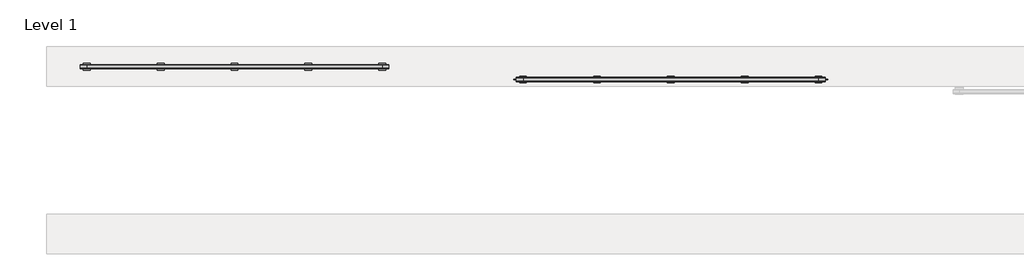
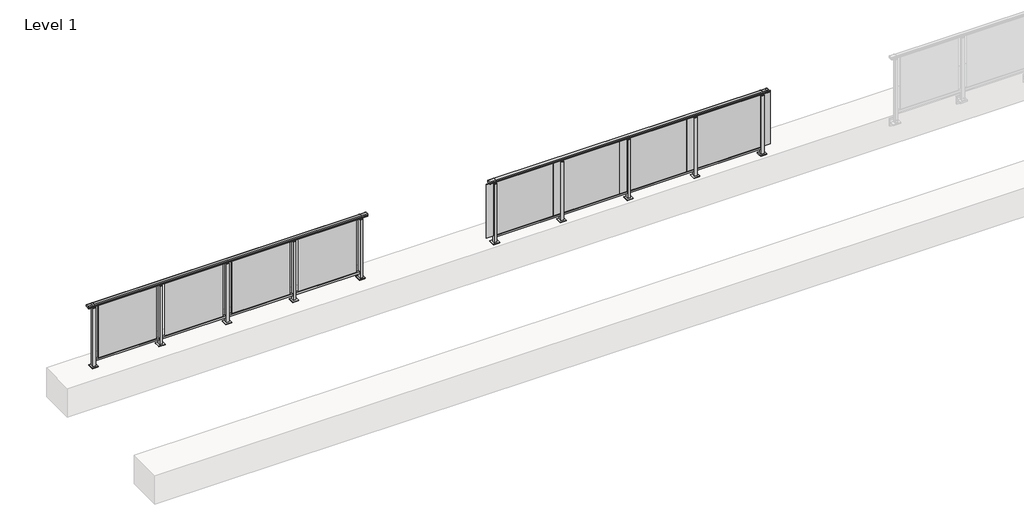
# One storey, part 46 of 64: 2 railings.
"""IFC4 building model written with IfcOpenShell, lengths in millimetres."""

import ifcopenshell
import ifcopenshell.guid

model = None  # the IFC model being written
_history = None  # IfcOwnerHistory: only IFC2X3 demands one
_inside = {}  # id of a spatial element -> (the spatial element, [elements in it])
_under = {}  # id of a project, library or spatial element -> (it, [spatial elements below it])
_declared = {}  # id of a project -> (the project, [libraries it declares])
_typed = {}  # id of a type object -> (the type object, [elements of that type])
_made_of = {}  # id of a material, layer set ... -> (it, [elements and type objects made of it])


def new_model(schema):
    """Start an empty IFC model of exactly this schema.

    Asked for "IFC4X3", IfcOpenShell would pick the latest addendum, in which some entities
    have other attributes; the version numbers below select the first issue.
    IFC2X3 requires an IfcOwnerHistory on every rooted entity: one is made here for all.
    """
    global model, _history
    if schema == "IFC4X3":
        model = ifcopenshell.file(schema_version=(4, 3, 0, 0))
    else:
        model = ifcopenshell.file(schema=schema)
    _inside.clear()
    _under.clear()
    _declared.clear()
    _typed.clear()
    _made_of.clear()
    _history = None
    if model.schema == "IFC2X3":
        org = make("IfcOrganization", Name="unknown")
        user = make(
            "IfcPersonAndOrganization",
            ThePerson=make("IfcPerson", FamilyName="unknown"),
            TheOrganization=org,
        )
        app = make(
            "IfcApplication",
            ApplicationDeveloper=org,
            Version="unknown",
            ApplicationFullName="unknown",
            ApplicationIdentifier="unknown",
        )
        _history = make(
            "IfcOwnerHistory",
            OwningUser=user,
            OwningApplication=app,
            ChangeAction="ADDED",
            CreationDate=0,
        )
    return model


def make(cls, **values):
    """One entity of the class cls with the attributes given. An attribute that is None is left unset."""
    return model.create_entity(
        cls, **{name: value for name, value in values.items() if value is not None}
    )


def rooted(cls, **values):
    """An entity with a GlobalId (a new one), such as an element, a storey or a relation."""
    return make(cls, GlobalId=ifcopenshell.guid.new(), OwnerHistory=_history, **values)


def si_unit(unit_type, name, prefix=None):
    """IfcSIUnit, for example si_unit("LENGTHUNIT", "METRE", prefix="MILLI")."""
    return make("IfcSIUnit", UnitType=unit_type, Prefix=prefix, Name=name)


def assignment(units):
    """IfcUnitAssignment: the units of a project."""
    return None if units is None else make("IfcUnitAssignment", Units=units)


def point(xyz):
    """IfcCartesianPoint."""
    return None if xyz is None else make("IfcCartesianPoint", Coordinates=xyz)


def direction(xyz):
    """IfcDirection."""
    return None if xyz is None else make("IfcDirection", DirectionRatios=xyz)


def frame(location, z_axis=None, x_axis=None):
    """IfcAxis2Placement3D, a coordinate frame: its origin and axes. An axis left out is left unset."""
    return make(
        "IfcAxis2Placement3D",
        Location=point(location),
        Axis=direction(z_axis),
        RefDirection=direction(x_axis),
    )


def origin():
    """The frame at (0, 0, 0) with its axes left unset."""
    return frame((0.0, 0.0, 0.0))


def origin_with_axes():
    """The frame at (0, 0, 0) with the z axis (0, 0, 1) and the x axis (1, 0, 0) written out."""
    return frame((0.0, 0.0, 0.0), z_axis=(0.0, 0.0, 1.0), x_axis=(1.0, 0.0, 0.0))


def place(relative_to, where):
    """IfcLocalPlacement: puts the frame where relative to a parent placement (None: the world)."""
    return make(
        "IfcLocalPlacement", PlacementRelTo=relative_to, RelativePlacement=where
    )


def context(
    kind, dimensions, precision=None, world=None, true_north=None, identifier=None
):
    """IfcGeometricRepresentationContext, for example the 3D "Model" context."""
    return make(
        "IfcGeometricRepresentationContext",
        ContextIdentifier=identifier,
        ContextType=kind,
        CoordinateSpaceDimension=dimensions,
        Precision=precision,
        WorldCoordinateSystem=world,
        TrueNorth=true_north,
    )


def project(units=None, contexts=None):
    """IfcProject with its units and contexts."""
    return rooted(
        "IfcProject",
        Name="project",
        RepresentationContexts=contexts,
        UnitsInContext=assignment(units),
    )


def spatial(cls, under=None, at=None, **own):
    """A site, building, storey or space (cls), placed at a placement, below another one or the project."""
    s = rooted(cls, ObjectPlacement=at, **own)
    if under is not None:
        _under.setdefault(under.id(), (under, []))[1].append(s)
    return s


def polyline(points):
    """IfcPolyline through the points."""
    return make("IfcPolyline", Points=[point(p) for p in points])


def circle_curve(where, radius):
    """IfcCircle in the frame where."""
    return make("IfcCircle", Position=where, Radius=radius)


def outline(outer, holes=None, kind="AREA"):
    """IfcArbitraryClosedProfileDef: a profile drawn as a closed curve; with holes, ...WithVoids."""
    if holes is None:
        return make("IfcArbitraryClosedProfileDef", ProfileType=kind, OuterCurve=outer)
    return make(
        "IfcArbitraryProfileDefWithVoids",
        ProfileType=kind,
        OuterCurve=outer,
        InnerCurves=holes,
    )


def extrude(swept, where, along, depth):
    """IfcExtrudedAreaSolid: the profile swept, set in the frame where, extruded along a direction by depth."""
    return make(
        "IfcExtrudedAreaSolid",
        SweptArea=swept,
        Position=where,
        ExtrudedDirection=direction(along),
        Depth=depth,
    )


def shape(context_of_items, identifier, shape_type, items):
    """IfcShapeRepresentation: the items that make up one representation, for example the "Body"."""
    return make(
        "IfcShapeRepresentation",
        ContextOfItems=context_of_items,
        RepresentationIdentifier=identifier,
        RepresentationType=shape_type,
        Items=items,
    )


def made_of(thing, what):
    """Note that an element or type object is made of a material, layer set ...; save() writes the relation."""
    if what is not None:
        _made_of.setdefault(what.id(), (what, []))[1].append(thing)
    return thing


def element(
    cls,
    number,
    at=None,
    inside=None,
    cuts=None,
    type_object=None,
    material=None,
    context=None,
    identifier="Body",
    shape_type=None,
    held_by="IfcProductDefinitionShape",
    body=None,
    shapes=None,
    **own,
):
    """One element of the class cls, such as IfcWall. Its Tag is "e" and its number.

    at: its placement. inside: the storey or other place that contains it. cuts: it is an
    opening in that element (IfcRelVoidsElement). A single representation is given by context,
    identifier, shape_type and body (its items); several are given by shapes. held_by: the class
    of the entity that holds the representations. save() writes the other relations.
    """
    e = rooted(cls, Tag="e%d" % number, ObjectPlacement=at, **own)
    if body is not None:
        shapes = [shape(context, identifier, shape_type, body)]
    if shapes is not None:
        e.Representation = make(held_by, Representations=shapes)
    if inside is not None:
        _inside.setdefault(inside.id(), (inside, []))[1].append(e)
    if cuts is not None:
        rooted(
            "IfcRelVoidsElement", RelatingBuildingElement=cuts, RelatedOpeningElement=e
        )
    if type_object is not None:
        _typed.setdefault(type_object.id(), (type_object, []))[1].append(e)
    return made_of(e, material)


def aggregate(whole, parts):
    """IfcRelAggregates: a whole, such as a stair, and the parts it consists of."""
    return rooted("IfcRelAggregates", RelatingObject=whole, RelatedObjects=parts)


def save(model, path):
    """Write the relations noted so far, then the file.

    IfcRelAggregates (storeys below a building ...), IfcRelContainedInSpatialStructure (elements
    in a storey), IfcRelDefinesByType, IfcRelAssociatesMaterial and IfcRelDeclares: one each for
    every whole, place, type object, material and project.
    """
    for whole, parts in _under.values():
        aggregate(whole, parts)
    for where, things in _inside.values():
        rooted(
            "IfcRelContainedInSpatialStructure",
            RelatedElements=things,
            RelatingStructure=where,
        )
    for kind, things in _typed.values():
        rooted("IfcRelDefinesByType", RelatedObjects=things, RelatingType=kind)
    for what, things in _made_of.values():
        rooted("IfcRelAssociatesMaterial", RelatedObjects=things, RelatingMaterial=what)
    for by, libraries in _declared.values():
        rooted("IfcRelDeclares", RelatingContext=by, RelatedDefinitions=libraries)
    model.write(path)


def plane_surface(at):
    """IfcPlane: the flat surface through the origin of the frame at, square to its z axis."""
    return make("IfcPlane", Position=at)


def cylinder_surface(at, radius):
    """IfcCylindricalSurface: all points at the distance radius from the z axis of the frame at."""
    return make("IfcCylindricalSurface", Position=at, Radius=radius)


def revolved_surface(curve, axis_point, axis_direction):
    """IfcSurfaceOfRevolution: the curve turned about the line through axis_point along axis_direction."""
    return make(
        "IfcSurfaceOfRevolution",
        SweptCurve=make("IfcArbitraryOpenProfileDef", ProfileType="CURVE", Curve=curve),
        AxisPosition=make("IfcAxis1Placement", Location=point(axis_point), Axis=direction(axis_direction)),
    )


def advanced_brep(points, edges, surfaces, faces):
    """IfcAdvancedBrep: a solid bounded by faces that lie on surfaces and meet in shared edges.

    An edge is (start, end): straight between two places in points (the first is 0);
    or (start, end, curve); or (start, end, curve, False) where it runs against its curve.
    A face is (place in surfaces, loops), or (place, loops, False) where it looks against
    its surface's normal. A loop lists edges by number (the first is 1), with a minus sign
    where the edge is run from its end to its start. The first loop is the outer one.
    """
    corners = [point(p) for p in points]
    vertices = [make("IfcVertexPoint", VertexGeometry=c) for c in corners]
    made = []
    for start, end, *more in edges:
        made.append(
            make(
                "IfcEdgeCurve",
                EdgeStart=vertices[start],
                EdgeEnd=vertices[end],
                EdgeGeometry=more[0] if more else make("IfcPolyline", Points=[corners[start], corners[end]]),
                SameSense=more[1] if len(more) > 1 else True,
            )
        )
    hull = []
    for where, loops, *sense in faces:
        bounds = []
        for j, loop in enumerate(loops):
            ring = [make("IfcOrientedEdge", EdgeElement=made[abs(k) - 1], Orientation=k > 0) for k in loop]
            bounds.append(
                make(
                    "IfcFaceOuterBound" if j == 0 else "IfcFaceBound",
                    Bound=make("IfcEdgeLoop", EdgeList=ring),
                    Orientation=True,
                )
            )
        hull.append(make("IfcAdvancedFace", Bounds=bounds, FaceSurface=surfaces[where], SameSense=sense[0] if sense else True))
    return make("IfcAdvancedBrep", Outer=make("IfcClosedShell", CfsFaces=hull))


model = new_model("IFC4")

# Units and contexts
model_context = context("Model", 3, world=origin())
ifc_project = project(units=[si_unit("LENGTHUNIT", "METRE", prefix="MILLI")], contexts=[model_context])

# Site, building, storey
site = spatial("IfcSite", under=ifc_project)
building = spatial("IfcBuilding", under=site)
storey = spatial("IfcBuildingStorey", under=building, Name="Level 1", Elevation=0.0)

# Railings
placement = place(None, origin())
element("IfcRailing", 1, at=placement, inside=storey, context=model_context, shape_type="SolidModel", body=[
    advanced_brep(
    [(29900.0, 20215.3633756, 1095.6691182), (29900.0, 20220.1846828, 1081.1334092), (29900.0, 20219.2413744, 1069.2539035), (29900.0, 20221.1364177, 1061.4863007), (29900.0, 20219.4894799, 1060.384124), (29900.0, 20219.4894799, 1062.0), (29900.0, 20160.8798858, 1062.0), (29900.0, 20160.8798858, 1060.384124), (29900.0, 20159.232948, 1061.4863007), (29900.0, 20161.1279912, 1069.2539035), (29900.0, 20160.1846828, 1081.1334092), (29900.0, 20165.00599, 1095.6691182), (34500.0, 20215.3633756, 1095.6691182), (34500.0, 20165.00599, 1095.6691182), (34500.0, 20160.1846828, 1081.1334092), (34500.0, 20161.1279912, 1069.2539035), (34500.0, 20159.232948, 1061.4863007), (34500.0, 20160.8798858, 1060.384124), (34500.0, 20160.8798858, 1062.0), (34500.0, 20219.4894799, 1062.0), (34500.0, 20219.4894799, 1060.384124), (34500.0, 20221.1364177, 1061.4863007), (34500.0, 20219.2413744, 1069.2539035), (34500.0, 20220.1846828, 1081.1334092), (30000.0, 20215.3633756, 1095.6691182), (30000.0, 20220.1846828, 1081.1334092), (30000.0, 20219.2413744, 1069.2539035), (30000.0, 20221.1364177, 1061.4863007), (30000.0, 20219.4894799, 1060.384124), (30000.0, 20219.4894799, 1062.0), (30000.0, 20160.8798858, 1062.0), (30000.0, 20160.8798858, 1060.384124), (30000.0, 20159.232948, 1061.4863007), (30000.0, 20161.1279912, 1069.2539035), (30000.0, 20160.1846828, 1081.1334092), (30000.0, 20165.00599, 1095.6691182), (34400.0, 20215.3633756, 1095.6691182), (34400.0, 20220.1846828, 1081.1334092), (34400.0, 20219.2413744, 1069.2539035), (34400.0, 20221.1364177, 1061.4863007), (34400.0, 20219.4894799, 1060.384124), (34400.0, 20219.4894799, 1062.0), (34400.0, 20160.8798858, 1062.0), (34400.0, 20160.8798858, 1060.384124), (34400.0, 20159.232948, 1061.4863007), (34400.0, 20161.1279912, 1069.2539035), (34400.0, 20160.1846828, 1081.1334092), (34400.0, 20165.00599, 1095.6691182)],
    [
        (0, 1, circle_curve(frame((29900.0, 20212.1223845, 1086.526686), z_axis=(-1.0, 0.0, 0.0), x_axis=(0.0, -1.0, 0.0)), 9.6999015)),
        (1, 2, circle_curve(frame((29900.0, 20237.7252545, 1073.7633709), z_axis=(1.0, 0.0, 0.0), x_axis=(0.0, -1.0, 0.0)), 19.0260117)),
        (2, 3),
        (3, 4, circle_curve(frame((29900.0, 20220.2772073, 1060.9886194), z_axis=(-1.0, 0.0, 0.0), x_axis=(0.0, -1.0, 0.0)), 0.9929396)),
        (4, 5),
        (5, 6),
        (6, 7),
        (7, 8, circle_curve(frame((29900.0, 20160.0921584, 1060.9886194), z_axis=(-1.0, 0.0, 0.0), x_axis=(0.0, 1.0, 0.0)), 0.9929396)),
        (8, 9),
        (9, 10, circle_curve(frame((29900.0, 20142.6441111, 1073.7633709), z_axis=(1.0, 0.0, 0.0), x_axis=(0.0, 1.0, 0.0)), 19.0260117)),
        (10, 11, circle_curve(frame((29900.0, 20168.2469812, 1086.526686), z_axis=(-1.0, 0.0, 0.0), x_axis=(0.0, 1.0, 0.0)), 9.6999015)),
        (11, 0, circle_curve(frame((29900.0, 20190.1846828, 1024.6431628), z_axis=(-1.0, 0.0, 0.0), x_axis=(0.0, 1.0, 0.0)), 75.3568372)),
        (12, 13, circle_curve(frame((34500.0, 20190.1846828, 1024.6431628), z_axis=(1.0, 0.0, 0.0), x_axis=(0.0, 1.0, 0.0)), 75.3568372)),
        (13, 14, circle_curve(frame((34500.0, 20168.2469812, 1086.526686), z_axis=(1.0, 0.0, 0.0), x_axis=(0.0, 1.0, 0.0)), 9.6999015)),
        (14, 15, circle_curve(frame((34500.0, 20142.6441111, 1073.7633709), z_axis=(-1.0, 0.0, 0.0), x_axis=(0.0, 1.0, 0.0)), 19.0260117)),
        (15, 16),
        (16, 17, circle_curve(frame((34500.0, 20160.0921584, 1060.9886194), z_axis=(1.0, 0.0, 0.0), x_axis=(0.0, 1.0, 0.0)), 0.9929396)),
        (17, 18),
        (18, 19),
        (19, 20),
        (20, 21, circle_curve(frame((34500.0, 20220.2772073, 1060.9886194), z_axis=(1.0, 0.0, 0.0), x_axis=(0.0, -1.0, 0.0)), 0.9929396)),
        (21, 22),
        (22, 23, circle_curve(frame((34500.0, 20237.7252545, 1073.7633709), z_axis=(-1.0, 0.0, 0.0), x_axis=(0.0, -1.0, 0.0)), 19.0260117)),
        (23, 12, circle_curve(frame((34500.0, 20212.1223845, 1086.526686), z_axis=(1.0, 0.0, 0.0), x_axis=(0.0, -1.0, 0.0)), 9.6999015)),
        (0, 24),
        (24, 25, circle_curve(frame((30000.0, 20212.1223845, 1086.526686), z_axis=(-1.0, 0.0, 0.0), x_axis=(0.0, -1.0, 0.0)), 9.6999015)),
        (25, 1),
        (25, 26, circle_curve(frame((30000.0, 20237.7252545, 1073.7633709), z_axis=(1.0, 0.0, 0.0), x_axis=(0.0, -1.0, 0.0)), 19.0260117)),
        (26, 2),
        (26, 27),
        (27, 3),
        (27, 28, circle_curve(frame((30000.0, 20220.2772073, 1060.9886194), z_axis=(-1.0, 0.0, 0.0), x_axis=(0.0, -1.0, 0.0)), 0.9929396)),
        (28, 4),
        (28, 29),
        (29, 5),
        (29, 30),
        (30, 6),
        (30, 31),
        (31, 7),
        (31, 32, circle_curve(frame((30000.0, 20160.0921584, 1060.9886194), z_axis=(-1.0, 0.0, 0.0), x_axis=(0.0, 1.0, 0.0)), 0.9929396)),
        (32, 8),
        (32, 33),
        (33, 9),
        (33, 34, circle_curve(frame((30000.0, 20142.6441111, 1073.7633709), z_axis=(1.0, 0.0, 0.0), x_axis=(0.0, 1.0, 0.0)), 19.0260117)),
        (34, 10),
        (34, 35, circle_curve(frame((30000.0, 20168.2469812, 1086.526686), z_axis=(-1.0, 0.0, 0.0), x_axis=(0.0, 1.0, 0.0)), 9.6999015)),
        (35, 11),
        (35, 24, circle_curve(frame((30000.0, 20190.1846828, 1024.6431628), z_axis=(-1.0, 0.0, 0.0), x_axis=(0.0, 1.0, 0.0)), 75.3568372)),
        (24, 36),
        (36, 37, circle_curve(frame((34400.0, 20212.1223845, 1086.526686), z_axis=(-1.0, 0.0, 0.0), x_axis=(0.0, -1.0, 0.0)), 9.6999015)),
        (37, 25),
        (37, 38, circle_curve(frame((34400.0, 20237.7252545, 1073.7633709), z_axis=(1.0, 0.0, 0.0), x_axis=(0.0, -1.0, 0.0)), 19.0260117)),
        (38, 26),
        (38, 39),
        (39, 27),
        (39, 40, circle_curve(frame((34400.0, 20220.2772073, 1060.9886194), z_axis=(-1.0, 0.0, 0.0), x_axis=(0.0, -1.0, 0.0)), 0.9929396)),
        (40, 28),
        (40, 41),
        (41, 29),
        (41, 42),
        (42, 30),
        (42, 43),
        (43, 31),
        (43, 44, circle_curve(frame((34400.0, 20160.0921584, 1060.9886194), z_axis=(-1.0, 0.0, 0.0), x_axis=(0.0, 1.0, 0.0)), 0.9929396)),
        (44, 32),
        (44, 45),
        (45, 33),
        (45, 46, circle_curve(frame((34400.0, 20142.6441111, 1073.7633709), z_axis=(1.0, 0.0, 0.0), x_axis=(0.0, 1.0, 0.0)), 19.0260117)),
        (46, 34),
        (46, 47, circle_curve(frame((34400.0, 20168.2469812, 1086.526686), z_axis=(-1.0, 0.0, 0.0), x_axis=(0.0, 1.0, 0.0)), 9.6999015)),
        (47, 35),
        (47, 36, circle_curve(frame((34400.0, 20190.1846828, 1024.6431628), z_axis=(-1.0, 0.0, 0.0), x_axis=(0.0, 1.0, 0.0)), 75.3568372)),
        (36, 12),
        (23, 37),
        (22, 38),
        (21, 39),
        (20, 40),
        (19, 41),
        (18, 42),
        (17, 43),
        (16, 44),
        (15, 45),
        (14, 46),
        (13, 47),
    ],
    [
        plane_surface(frame((29900.0, 20190.1846828, 1100.0), z_axis=(-1.0, 0.0, 0.0), x_axis=(0.0, 1.0, 0.0))),
        plane_surface(frame((34500.0, 20190.1846828, 1100.0), z_axis=(1.0, 0.0, 0.0), x_axis=(0.0, 1.0, 0.0))),
        cylinder_surface(frame((29900.0, 20212.1223845, 1086.526686), z_axis=(-1.0, 0.0, 0.0), x_axis=(0.0, -1.0, 0.0)), 9.6999015),
        revolved_surface(polyline([(30000.0, 20218.6992428, 1073.7633709), (29900.0, 20218.6992428, 1073.7633709)]), (29900.0, 20237.7252545, 1073.7633709), (1.0, 0.0, 0.0)),
        plane_surface(frame((29900.0, 20219.2413744, 1069.2539035), z_axis=(0.0, 0.9715057689301543, 0.2370159086125439), x_axis=(1.0, 0.0, 0.0))),
        cylinder_surface(frame((29900.0, 20220.2772073, 1060.9886194), z_axis=(-1.0, 0.0, 0.0), x_axis=(0.0, -1.0, 0.0)), 0.9929396),
        plane_surface(frame((29900.0, 20219.4894799, 1060.384124), z_axis=(0.0, -1.0, 0.0), x_axis=(1.0, 0.0, 0.0))),
        plane_surface(frame((29900.0, 20219.4894799, 1062.0), z_axis=(0.0, 0.0, -1.0), x_axis=(1.0, 0.0, 0.0))),
        plane_surface(frame((29900.0, 20160.8798858, 1062.0), z_axis=(0.0, 1.0, 0.0), x_axis=(1.0, 0.0, 0.0))),
        cylinder_surface(frame((29900.0, 20160.0921584, 1060.9886194), z_axis=(-1.0, 0.0, 0.0), x_axis=(0.0, 1.0, 0.0)), 0.9929396),
        plane_surface(frame((29900.0, 20159.232948, 1061.4863007), z_axis=(0.0, -0.9715057689301543, 0.2370159086125439), x_axis=(1.0, 0.0, 0.0))),
        revolved_surface(polyline([(30000.0, 20161.6701228, 1073.7633709), (29900.0, 20161.6701228, 1073.7633709)]), (29900.0, 20142.6441111, 1073.7633709), (1.0, 0.0, 0.0)),
        cylinder_surface(frame((29900.0, 20168.2469812, 1086.526686), z_axis=(-1.0, 0.0, 0.0), x_axis=(0.0, 1.0, 0.0)), 9.6999015),
        cylinder_surface(frame((29900.0, 20190.1846828, 1024.6431628), z_axis=(-1.0, 0.0, 0.0), x_axis=(0.0, 1.0, 0.0)), 75.3568372),
        cylinder_surface(frame((30000.0, 20212.1223845, 1086.526686), z_axis=(-1.0, 0.0, 0.0), x_axis=(0.0, -1.0, 0.0)), 9.6999015),
        revolved_surface(polyline([(34400.0, 20218.6992428, 1073.7633709), (30000.0, 20218.6992428, 1073.7633709)]), (30000.0, 20237.7252545, 1073.7633709), (1.0, 0.0, 0.0)),
        plane_surface(frame((30000.0, 20219.2413744, 1069.2539035), z_axis=(0.0, 0.9715057689301543, 0.2370159086125439), x_axis=(1.0, 0.0, 0.0))),
        cylinder_surface(frame((30000.0, 20220.2772073, 1060.9886194), z_axis=(-1.0, 0.0, 0.0), x_axis=(0.0, -1.0, 0.0)), 0.9929396),
        plane_surface(frame((30000.0, 20219.4894799, 1060.384124), z_axis=(0.0, -1.0, 0.0), x_axis=(1.0, 0.0, 0.0))),
        plane_surface(frame((30000.0, 20219.4894799, 1062.0), z_axis=(0.0, 0.0, -1.0), x_axis=(1.0, 0.0, 0.0))),
        plane_surface(frame((30000.0, 20160.8798858, 1062.0), z_axis=(0.0, 1.0, 0.0), x_axis=(1.0, 0.0, 0.0))),
        cylinder_surface(frame((30000.0, 20160.0921584, 1060.9886194), z_axis=(-1.0, 0.0, 0.0), x_axis=(0.0, 1.0, 0.0)), 0.9929396),
        plane_surface(frame((30000.0, 20159.232948, 1061.4863007), z_axis=(0.0, -0.9715057689301543, 0.2370159086125439), x_axis=(1.0, 0.0, 0.0))),
        revolved_surface(polyline([(34400.0, 20161.6701228, 1073.7633709), (30000.0, 20161.6701228, 1073.7633709)]), (30000.0, 20142.6441111, 1073.7633709), (1.0, 0.0, 0.0)),
        cylinder_surface(frame((30000.0, 20168.2469812, 1086.526686), z_axis=(-1.0, 0.0, 0.0), x_axis=(0.0, 1.0, 0.0)), 9.6999015),
        cylinder_surface(frame((30000.0, 20190.1846828, 1024.6431628), z_axis=(-1.0, 0.0, 0.0), x_axis=(0.0, 1.0, 0.0)), 75.3568372),
        cylinder_surface(frame((34400.0, 20212.1223845, 1086.526686), z_axis=(-1.0, 0.0, 0.0), x_axis=(0.0, -1.0, 0.0)), 9.6999015),
        revolved_surface(polyline([(34500.0, 20218.6992428, 1073.7633709), (34400.0, 20218.6992428, 1073.7633709)]), (34400.0, 20237.7252545, 1073.7633709), (1.0, 0.0, 0.0)),
        plane_surface(frame((34400.0, 20219.2413744, 1069.2539035), z_axis=(0.0, 0.9715057689301543, 0.2370159086125439), x_axis=(1.0, 0.0, 0.0))),
        cylinder_surface(frame((34400.0, 20220.2772073, 1060.9886194), z_axis=(-1.0, 0.0, 0.0), x_axis=(0.0, -1.0, 0.0)), 0.9929396),
        plane_surface(frame((34400.0, 20219.4894799, 1060.384124), z_axis=(0.0, -1.0, 0.0), x_axis=(1.0, 0.0, 0.0))),
        plane_surface(frame((34400.0, 20219.4894799, 1062.0), z_axis=(0.0, 0.0, -1.0), x_axis=(1.0, 0.0, 0.0))),
        plane_surface(frame((34400.0, 20160.8798858, 1062.0), z_axis=(0.0, 1.0, 0.0), x_axis=(1.0, 0.0, 0.0))),
        cylinder_surface(frame((34400.0, 20160.0921584, 1060.9886194), z_axis=(-1.0, 0.0, 0.0), x_axis=(0.0, 1.0, 0.0)), 0.9929396),
        plane_surface(frame((34400.0, 20159.232948, 1061.4863007), z_axis=(0.0, -0.9715057689301543, 0.2370159086125439), x_axis=(1.0, 0.0, 0.0))),
        revolved_surface(polyline([(34500.0, 20161.6701228, 1073.7633709), (34400.0, 20161.6701228, 1073.7633709)]), (34400.0, 20142.6441111, 1073.7633709), (1.0, 0.0, 0.0)),
        cylinder_surface(frame((34400.0, 20168.2469812, 1086.526686), z_axis=(-1.0, 0.0, 0.0), x_axis=(0.0, 1.0, 0.0)), 9.6999015),
        cylinder_surface(frame((34400.0, 20190.1846828, 1024.6431628), z_axis=(-1.0, 0.0, 0.0), x_axis=(0.0, 1.0, 0.0)), 75.3568372),
    ],
    [
        (0, [[1, 2, 3, 4, 5, 6, 7, 8, 9, 10, 11, 12]]),
        (1, [[13, 14, 15, 16, 17, 18, 19, 20, 21, 22, 23, 24]]),
        (2, [[-1, 25, 26, 27]]),
        (3, [[-2, -27, 28, 29]]),
        (4, [[-3, -29, 30, 31]]),
        (5, [[-4, -31, 32, 33]]),
        (6, [[-5, -33, 34, 35]]),
        (7, [[-6, -35, 36, 37]]),
        (8, [[-7, -37, 38, 39]]),
        (9, [[-8, -39, 40, 41]]),
        (10, [[-9, -41, 42, 43]]),
        (11, [[-10, -43, 44, 45]]),
        (12, [[-11, -45, 46, 47]]),
        (13, [[-12, -47, 48, -25]]),
        (14, [[-26, 49, 50, 51]]),
        (15, [[-28, -51, 52, 53]]),
        (16, [[-30, -53, 54, 55]]),
        (17, [[-32, -55, 56, 57]]),
        (18, [[-34, -57, 58, 59]]),
        (19, [[-36, -59, 60, 61]]),
        (20, [[-38, -61, 62, 63]]),
        (21, [[-40, -63, 64, 65]]),
        (22, [[-42, -65, 66, 67]]),
        (23, [[-44, -67, 68, 69]]),
        (24, [[-46, -69, 70, 71]]),
        (25, [[-48, -71, 72, -49]]),
        (26, [[-50, 73, -24, 74]]),
        (27, [[-52, -74, -23, 75]]),
        (28, [[-54, -75, -22, 76]]),
        (29, [[-56, -76, -21, 77]]),
        (30, [[-58, -77, -20, 78]]),
        (31, [[-60, -78, -19, 79]]),
        (32, [[-62, -79, -18, 80]]),
        (33, [[-64, -80, -17, 81]]),
        (34, [[-66, -81, -16, 82]]),
        (35, [[-68, -82, -15, 83]]),
        (36, [[-70, -83, -14, 84]]),
        (37, [[-72, -84, -13, -73]]),
    ],
),
    extrude(outline(polyline([(30000.0, 20172.6846828), (30000.0, 20207.6846828), (34400.0, 20207.6846828), (34400.0, 20172.6846828), (30000.0, 20172.6846828)])), frame((0.0, 0.0, 95.0), z_axis=(0.0, 0.0, 1.0), x_axis=(1.0, 0.0, 0.0)), (0.0, 0.0, 1.0), 30.0),
    extrude(outline(polyline([(33372.5, 20191.9598727), (34327.5, 20191.9598727), (34327.5, 20185.9598727), (33372.5, 20185.9598727), (33372.5, 20191.9598727)])), frame((0.0, 0.0, 125.0), z_axis=(0.0, 0.0, 1.0), x_axis=(1.0, 0.0, 0.0)), (0.0, 0.0, 1.0), 930.0),
    extrude(outline(polyline([(33310.0, 20180.1846828), (33290.0, 20180.1846828), (33290.0, 20200.1846828), (33310.0, 20200.1846828), (33310.0, 20180.1846828)])), frame((0.0, 0.0, 1035.0), z_axis=(0.0, 0.0, 1.0), x_axis=(1.0, 0.0, 0.0)), (0.0, 0.0, 1.0), 20.0),
    extrude(outline(polyline([(33322.5, 20167.6846828), (33277.5, 20167.6846828), (33277.5, 20212.6846828), (33322.5, 20212.6846828), (33322.5, 20167.6846828)])), frame((0.0, 0.0, 1027.0), z_axis=(0.0, 0.0, 1.0), x_axis=(1.0, 0.0, 0.0)), (0.0, 0.0, 1.0), 8.0),
    extrude(outline(polyline([(33350.0, 20140.1846828), (33250.0, 20140.1846828), (33250.0, 20240.1846828), (33350.0, 20240.1846828), (33350.0, 20140.1846828)])), origin_with_axes(), (0.0, 0.0, 1.0), 12.0),
    extrude(outline(polyline([(33322.5, 20167.6846828), (33277.5, 20167.6846828), (33277.5, 20212.6846828), (33322.5, 20212.6846828), (33322.5, 20167.6846828)])), frame((0.0, 0.0, 12.0), z_axis=(0.0, 0.0, 1.0), x_axis=(1.0, 0.0, 0.0)), (0.0, 0.0, 1.0), 1015.0),
    extrude(outline(polyline([(32272.5, 20191.9598727), (33227.5, 20191.9598727), (33227.5, 20185.9598727), (32272.5, 20185.9598727), (32272.5, 20191.9598727)])), frame((0.0, 0.0, 125.0), z_axis=(0.0, 0.0, 1.0), x_axis=(1.0, 0.0, 0.0)), (0.0, 0.0, 1.0), 930.0),
    extrude(outline(polyline([(32210.0, 20180.1846828), (32190.0, 20180.1846828), (32190.0, 20200.1846828), (32210.0, 20200.1846828), (32210.0, 20180.1846828)])), frame((0.0, 0.0, 1035.0), z_axis=(0.0, 0.0, 1.0), x_axis=(1.0, 0.0, 0.0)), (0.0, 0.0, 1.0), 20.0),
    extrude(outline(polyline([(32222.5, 20167.6846828), (32177.5, 20167.6846828), (32177.5, 20212.6846828), (32222.5, 20212.6846828), (32222.5, 20167.6846828)])), frame((0.0, 0.0, 1027.0), z_axis=(0.0, 0.0, 1.0), x_axis=(1.0, 0.0, 0.0)), (0.0, 0.0, 1.0), 8.0),
    extrude(outline(polyline([(32250.0, 20140.1846828), (32150.0, 20140.1846828), (32150.0, 20240.1846828), (32250.0, 20240.1846828), (32250.0, 20140.1846828)])), origin_with_axes(), (0.0, 0.0, 1.0), 12.0),
    extrude(outline(polyline([(32222.5, 20167.6846828), (32177.5, 20167.6846828), (32177.5, 20212.6846828), (32222.5, 20212.6846828), (32222.5, 20167.6846828)])), frame((0.0, 0.0, 12.0), z_axis=(0.0, 0.0, 1.0), x_axis=(1.0, 0.0, 0.0)), (0.0, 0.0, 1.0), 1015.0),
    extrude(outline(polyline([(31172.5, 20191.9598727), (32127.5, 20191.9598727), (32127.5, 20185.9598727), (31172.5, 20185.9598727), (31172.5, 20191.9598727)])), frame((0.0, 0.0, 125.0), z_axis=(0.0, 0.0, 1.0), x_axis=(1.0, 0.0, 0.0)), (0.0, 0.0, 1.0), 930.0),
    extrude(outline(polyline([(31110.0, 20180.1846828), (31090.0, 20180.1846828), (31090.0, 20200.1846828), (31110.0, 20200.1846828), (31110.0, 20180.1846828)])), frame((0.0, 0.0, 1035.0), z_axis=(0.0, 0.0, 1.0), x_axis=(1.0, 0.0, 0.0)), (0.0, 0.0, 1.0), 20.0),
    extrude(outline(polyline([(31122.5, 20167.6846828), (31077.5, 20167.6846828), (31077.5, 20212.6846828), (31122.5, 20212.6846828), (31122.5, 20167.6846828)])), frame((0.0, 0.0, 1027.0), z_axis=(0.0, 0.0, 1.0), x_axis=(1.0, 0.0, 0.0)), (0.0, 0.0, 1.0), 8.0),
    extrude(outline(polyline([(31150.0, 20140.1846828), (31050.0, 20140.1846828), (31050.0, 20240.1846828), (31150.0, 20240.1846828), (31150.0, 20140.1846828)])), origin_with_axes(), (0.0, 0.0, 1.0), 12.0),
    extrude(outline(polyline([(31122.5, 20167.6846828), (31077.5, 20167.6846828), (31077.5, 20212.6846828), (31122.5, 20212.6846828), (31122.5, 20167.6846828)])), frame((0.0, 0.0, 12.0), z_axis=(0.0, 0.0, 1.0), x_axis=(1.0, 0.0, 0.0)), (0.0, 0.0, 1.0), 1015.0),
    extrude(outline(polyline([(30072.5, 20191.9598727), (31027.5, 20191.9598727), (31027.5, 20185.9598727), (30072.5, 20185.9598727), (30072.5, 20191.9598727)])), frame((0.0, 0.0, 125.0), z_axis=(0.0, 0.0, 1.0), x_axis=(1.0, 0.0, 0.0)), (0.0, 0.0, 1.0), 930.0),
    extrude(outline(polyline([(34410.0, 20180.1846828), (34390.0, 20180.1846828), (34390.0, 20200.1846828), (34410.0, 20200.1846828), (34410.0, 20180.1846828)])), frame((0.0, 0.0, 1035.0), z_axis=(0.0, 0.0, 1.0), x_axis=(1.0, 0.0, 0.0)), (0.0, 0.0, 1.0), 20.0),
    extrude(outline(polyline([(34422.5, 20167.6846828), (34377.5, 20167.6846828), (34377.5, 20212.6846828), (34422.5, 20212.6846828), (34422.5, 20167.6846828)])), frame((0.0, 0.0, 1027.0), z_axis=(0.0, 0.0, 1.0), x_axis=(1.0, 0.0, 0.0)), (0.0, 0.0, 1.0), 8.0),
    extrude(outline(polyline([(34450.0, 20140.1846828), (34350.0, 20140.1846828), (34350.0, 20240.1846828), (34450.0, 20240.1846828), (34450.0, 20140.1846828)])), origin_with_axes(), (0.0, 0.0, 1.0), 12.0),
    extrude(outline(polyline([(34422.5, 20167.6846828), (34377.5, 20167.6846828), (34377.5, 20212.6846828), (34422.5, 20212.6846828), (34422.5, 20167.6846828)])), frame((0.0, 0.0, 12.0), z_axis=(0.0, 0.0, 1.0), x_axis=(1.0, 0.0, 0.0)), (0.0, 0.0, 1.0), 1015.0),
    extrude(outline(polyline([(30010.0, 20180.1846828), (29990.0, 20180.1846828), (29990.0, 20200.1846828), (30010.0, 20200.1846828), (30010.0, 20180.1846828)])), frame((0.0, 0.0, 1035.0), z_axis=(0.0, 0.0, 1.0), x_axis=(1.0, 0.0, 0.0)), (0.0, 0.0, 1.0), 20.0),
    extrude(outline(polyline([(30022.5, 20167.6846828), (29977.5, 20167.6846828), (29977.5, 20212.6846828), (30022.5, 20212.6846828), (30022.5, 20167.6846828)])), frame((0.0, 0.0, 1027.0), z_axis=(0.0, 0.0, 1.0), x_axis=(1.0, 0.0, 0.0)), (0.0, 0.0, 1.0), 8.0),
    extrude(outline(polyline([(30050.0, 20140.1846828), (29950.0, 20140.1846828), (29950.0, 20240.1846828), (30050.0, 20240.1846828), (30050.0, 20140.1846828)])), origin_with_axes(), (0.0, 0.0, 1.0), 12.0),
    extrude(outline(polyline([(30022.5, 20167.6846828), (29977.5, 20167.6846828), (29977.5, 20212.6846828), (30022.5, 20212.6846828), (30022.5, 20167.6846828)])), frame((0.0, 0.0, 12.0), z_axis=(0.0, 0.0, 1.0), x_axis=(1.0, 0.0, 0.0)), (0.0, 0.0, 1.0), 1015.0),
])
element("IfcRailing", 2, at=placement, inside=storey, context=model_context, shape_type="SolidModel", body=[
    advanced_brep(
    [(36400.0, 20025.3633756, 1095.6691182), (36400.0, 20030.1846828, 1081.1334092), (36400.0, 20029.2413744, 1069.2539035), (36400.0, 20031.1364177, 1061.4863007), (36400.0, 20029.4894799, 1060.384124), (36400.0, 20029.4894799, 1062.0), (36400.0, 19970.8798858, 1062.0), (36400.0, 19970.8798858, 1060.384124), (36400.0, 19969.232948, 1061.4863007), (36400.0, 19971.1279912, 1069.2539035), (36400.0, 19970.1846828, 1081.1334092), (36400.0, 19975.00599, 1095.6691182), (41000.0, 20025.3633756, 1095.6691182), (41000.0, 19975.00599, 1095.6691182), (41000.0, 19970.1846828, 1081.1334092), (41000.0, 19971.1279912, 1069.2539035), (41000.0, 19969.232948, 1061.4863007), (41000.0, 19970.8798858, 1060.384124), (41000.0, 19970.8798858, 1062.0), (41000.0, 20029.4894799, 1062.0), (41000.0, 20029.4894799, 1060.384124), (41000.0, 20031.1364177, 1061.4863007), (41000.0, 20029.2413744, 1069.2539035), (41000.0, 20030.1846828, 1081.1334092), (36500.0, 20025.3633756, 1095.6691182), (36500.0, 20030.1846828, 1081.1334092), (36500.0, 20029.2413744, 1069.2539035), (36500.0, 20031.1364177, 1061.4863007), (36500.0, 20029.4894799, 1060.384124), (36500.0, 20029.4894799, 1062.0), (36500.0, 19970.8798858, 1062.0), (36500.0, 19970.8798858, 1060.384124), (36500.0, 19969.232948, 1061.4863007), (36500.0, 19971.1279912, 1069.2539035), (36500.0, 19970.1846828, 1081.1334092), (36500.0, 19975.00599, 1095.6691182), (40900.0, 20025.3633756, 1095.6691182), (40900.0, 20030.1846828, 1081.1334092), (40900.0, 20029.2413744, 1069.2539035), (40900.0, 20031.1364177, 1061.4863007), (40900.0, 20029.4894799, 1060.384124), (40900.0, 20029.4894799, 1062.0), (40900.0, 19970.8798858, 1062.0), (40900.0, 19970.8798858, 1060.384124), (40900.0, 19969.232948, 1061.4863007), (40900.0, 19971.1279912, 1069.2539035), (40900.0, 19970.1846828, 1081.1334092), (40900.0, 19975.00599, 1095.6691182)],
    [
        (0, 1, circle_curve(frame((36400.0, 20022.1223845, 1086.526686), z_axis=(-1.0, 0.0, 0.0), x_axis=(0.0, -1.0, 0.0)), 9.6999015)),
        (1, 2, circle_curve(frame((36400.0, 20047.7252545, 1073.7633709), z_axis=(1.0, 0.0, 0.0), x_axis=(0.0, -1.0, 0.0)), 19.0260117)),
        (2, 3),
        (3, 4, circle_curve(frame((36400.0, 20030.2772073, 1060.9886194), z_axis=(-1.0, 0.0, 0.0), x_axis=(0.0, -1.0, 0.0)), 0.9929396)),
        (4, 5),
        (5, 6),
        (6, 7),
        (7, 8, circle_curve(frame((36400.0, 19970.0921584, 1060.9886194), z_axis=(-1.0, 0.0, 0.0), x_axis=(0.0, 1.0, 0.0)), 0.9929396)),
        (8, 9),
        (9, 10, circle_curve(frame((36400.0, 19952.6441111, 1073.7633709), z_axis=(1.0, 0.0, 0.0), x_axis=(0.0, 1.0, 0.0)), 19.0260117)),
        (10, 11, circle_curve(frame((36400.0, 19978.2469812, 1086.526686), z_axis=(-1.0, 0.0, 0.0), x_axis=(0.0, 1.0, 0.0)), 9.6999015)),
        (11, 0, circle_curve(frame((36400.0, 20000.1846828, 1024.6431628), z_axis=(-1.0, 0.0, 0.0), x_axis=(0.0, 1.0, 0.0)), 75.3568372)),
        (12, 13, circle_curve(frame((41000.0, 20000.1846828, 1024.6431628), z_axis=(1.0, 0.0, 0.0), x_axis=(0.0, 1.0, 0.0)), 75.3568372)),
        (13, 14, circle_curve(frame((41000.0, 19978.2469812, 1086.526686), z_axis=(1.0, 0.0, 0.0), x_axis=(0.0, 1.0, 0.0)), 9.6999015)),
        (14, 15, circle_curve(frame((41000.0, 19952.6441111, 1073.7633709), z_axis=(-1.0, 0.0, 0.0), x_axis=(0.0, 1.0, 0.0)), 19.0260117)),
        (15, 16),
        (16, 17, circle_curve(frame((41000.0, 19970.0921584, 1060.9886194), z_axis=(1.0, 0.0, 0.0), x_axis=(0.0, 1.0, 0.0)), 0.9929396)),
        (17, 18),
        (18, 19),
        (19, 20),
        (20, 21, circle_curve(frame((41000.0, 20030.2772073, 1060.9886194), z_axis=(1.0, 0.0, 0.0), x_axis=(0.0, -1.0, 0.0)), 0.9929396)),
        (21, 22),
        (22, 23, circle_curve(frame((41000.0, 20047.7252545, 1073.7633709), z_axis=(-1.0, 0.0, 0.0), x_axis=(0.0, -1.0, 0.0)), 19.0260117)),
        (23, 12, circle_curve(frame((41000.0, 20022.1223845, 1086.526686), z_axis=(1.0, 0.0, 0.0), x_axis=(0.0, -1.0, 0.0)), 9.6999015)),
        (0, 24),
        (24, 25, circle_curve(frame((36500.0, 20022.1223845, 1086.526686), z_axis=(-1.0, 0.0, 0.0), x_axis=(0.0, -1.0, 0.0)), 9.6999015)),
        (25, 1),
        (25, 26, circle_curve(frame((36500.0, 20047.7252545, 1073.7633709), z_axis=(1.0, 0.0, 0.0), x_axis=(0.0, -1.0, 0.0)), 19.0260117)),
        (26, 2),
        (26, 27),
        (27, 3),
        (27, 28, circle_curve(frame((36500.0, 20030.2772073, 1060.9886194), z_axis=(-1.0, 0.0, 0.0), x_axis=(0.0, -1.0, 0.0)), 0.9929396)),
        (28, 4),
        (28, 29),
        (29, 5),
        (29, 30),
        (30, 6),
        (30, 31),
        (31, 7),
        (31, 32, circle_curve(frame((36500.0, 19970.0921584, 1060.9886194), z_axis=(-1.0, 0.0, 0.0), x_axis=(0.0, 1.0, 0.0)), 0.9929396)),
        (32, 8),
        (32, 33),
        (33, 9),
        (33, 34, circle_curve(frame((36500.0, 19952.6441111, 1073.7633709), z_axis=(1.0, 0.0, 0.0), x_axis=(0.0, 1.0, 0.0)), 19.0260117)),
        (34, 10),
        (34, 35, circle_curve(frame((36500.0, 19978.2469812, 1086.526686), z_axis=(-1.0, 0.0, 0.0), x_axis=(0.0, 1.0, 0.0)), 9.6999015)),
        (35, 11),
        (35, 24, circle_curve(frame((36500.0, 20000.1846828, 1024.6431628), z_axis=(-1.0, 0.0, 0.0), x_axis=(0.0, 1.0, 0.0)), 75.3568372)),
        (24, 36),
        (36, 37, circle_curve(frame((40900.0, 20022.1223845, 1086.526686), z_axis=(-1.0, 0.0, 0.0), x_axis=(0.0, -1.0, 0.0)), 9.6999015)),
        (37, 25),
        (37, 38, circle_curve(frame((40900.0, 20047.7252545, 1073.7633709), z_axis=(1.0, 0.0, 0.0), x_axis=(0.0, -1.0, 0.0)), 19.0260117)),
        (38, 26),
        (38, 39),
        (39, 27),
        (39, 40, circle_curve(frame((40900.0, 20030.2772073, 1060.9886194), z_axis=(-1.0, 0.0, 0.0), x_axis=(0.0, -1.0, 0.0)), 0.9929396)),
        (40, 28),
        (40, 41),
        (41, 29),
        (41, 42),
        (42, 30),
        (42, 43),
        (43, 31),
        (43, 44, circle_curve(frame((40900.0, 19970.0921584, 1060.9886194), z_axis=(-1.0, 0.0, 0.0), x_axis=(0.0, 1.0, 0.0)), 0.9929396)),
        (44, 32),
        (44, 45),
        (45, 33),
        (45, 46, circle_curve(frame((40900.0, 19952.6441111, 1073.7633709), z_axis=(1.0, 0.0, 0.0), x_axis=(0.0, 1.0, 0.0)), 19.0260117)),
        (46, 34),
        (46, 47, circle_curve(frame((40900.0, 19978.2469812, 1086.526686), z_axis=(-1.0, 0.0, 0.0), x_axis=(0.0, 1.0, 0.0)), 9.6999015)),
        (47, 35),
        (47, 36, circle_curve(frame((40900.0, 20000.1846828, 1024.6431628), z_axis=(-1.0, 0.0, 0.0), x_axis=(0.0, 1.0, 0.0)), 75.3568372)),
        (36, 12),
        (23, 37),
        (22, 38),
        (21, 39),
        (20, 40),
        (19, 41),
        (18, 42),
        (17, 43),
        (16, 44),
        (15, 45),
        (14, 46),
        (13, 47),
    ],
    [
        plane_surface(frame((36400.0, 20000.1846828, 1100.0), z_axis=(-1.0, 0.0, 0.0), x_axis=(0.0, 1.0, 0.0))),
        plane_surface(frame((41000.0, 20000.1846828, 1100.0), z_axis=(1.0, 0.0, 0.0), x_axis=(0.0, 1.0, 0.0))),
        cylinder_surface(frame((36400.0, 20022.1223845, 1086.526686), z_axis=(-1.0, 0.0, 0.0), x_axis=(0.0, -1.0, 0.0)), 9.6999015),
        revolved_surface(polyline([(36500.0, 20028.6992428, 1073.7633709), (36400.0, 20028.6992428, 1073.7633709)]), (36400.0, 20047.7252545, 1073.7633709), (1.0, 0.0, 0.0)),
        plane_surface(frame((36400.0, 20029.2413744, 1069.2539035), z_axis=(0.0, 0.9715057689301543, 0.2370159086125439), x_axis=(1.0, 0.0, 0.0))),
        cylinder_surface(frame((36400.0, 20030.2772073, 1060.9886194), z_axis=(-1.0, 0.0, 0.0), x_axis=(0.0, -1.0, 0.0)), 0.9929396),
        plane_surface(frame((36400.0, 20029.4894799, 1060.384124), z_axis=(0.0, -1.0, 0.0), x_axis=(1.0, 0.0, 0.0))),
        plane_surface(frame((36400.0, 20029.4894799, 1062.0), z_axis=(0.0, 0.0, -1.0), x_axis=(1.0, 0.0, 0.0))),
        plane_surface(frame((36400.0, 19970.8798858, 1062.0), z_axis=(0.0, 1.0, 0.0), x_axis=(1.0, 0.0, 0.0))),
        cylinder_surface(frame((36400.0, 19970.0921584, 1060.9886194), z_axis=(-1.0, 0.0, 0.0), x_axis=(0.0, 1.0, 0.0)), 0.9929396),
        plane_surface(frame((36400.0, 19969.232948, 1061.4863007), z_axis=(0.0, -0.9715057689301543, 0.2370159086125439), x_axis=(1.0, 0.0, 0.0))),
        revolved_surface(polyline([(36500.0, 19971.6701228, 1073.7633709), (36400.0, 19971.6701228, 1073.7633709)]), (36400.0, 19952.6441111, 1073.7633709), (1.0, 0.0, 0.0)),
        cylinder_surface(frame((36400.0, 19978.2469812, 1086.526686), z_axis=(-1.0, 0.0, 0.0), x_axis=(0.0, 1.0, 0.0)), 9.6999015),
        cylinder_surface(frame((36400.0, 20000.1846828, 1024.6431628), z_axis=(-1.0, 0.0, 0.0), x_axis=(0.0, 1.0, 0.0)), 75.3568372),
        cylinder_surface(frame((36500.0, 20022.1223845, 1086.526686), z_axis=(-1.0, 0.0, 0.0), x_axis=(0.0, -1.0, 0.0)), 9.6999015),
        revolved_surface(polyline([(40900.0, 20028.6992428, 1073.7633709), (36500.0, 20028.6992428, 1073.7633709)]), (36500.0, 20047.7252545, 1073.7633709), (1.0, 0.0, 0.0)),
        plane_surface(frame((36500.0, 20029.2413744, 1069.2539035), z_axis=(0.0, 0.9715057689301543, 0.2370159086125439), x_axis=(1.0, 0.0, 0.0))),
        cylinder_surface(frame((36500.0, 20030.2772073, 1060.9886194), z_axis=(-1.0, 0.0, 0.0), x_axis=(0.0, -1.0, 0.0)), 0.9929396),
        plane_surface(frame((36500.0, 20029.4894799, 1060.384124), z_axis=(0.0, -1.0, 0.0), x_axis=(1.0, 0.0, 0.0))),
        plane_surface(frame((36500.0, 20029.4894799, 1062.0), z_axis=(0.0, 0.0, -1.0), x_axis=(1.0, 0.0, 0.0))),
        plane_surface(frame((36500.0, 19970.8798858, 1062.0), z_axis=(0.0, 1.0, 0.0), x_axis=(1.0, 0.0, 0.0))),
        cylinder_surface(frame((36500.0, 19970.0921584, 1060.9886194), z_axis=(-1.0, 0.0, 0.0), x_axis=(0.0, 1.0, 0.0)), 0.9929396),
        plane_surface(frame((36500.0, 19969.232948, 1061.4863007), z_axis=(0.0, -0.9715057689301543, 0.2370159086125439), x_axis=(1.0, 0.0, 0.0))),
        revolved_surface(polyline([(40900.0, 19971.6701228, 1073.7633709), (36500.0, 19971.6701228, 1073.7633709)]), (36500.0, 19952.6441111, 1073.7633709), (1.0, 0.0, 0.0)),
        cylinder_surface(frame((36500.0, 19978.2469812, 1086.526686), z_axis=(-1.0, 0.0, 0.0), x_axis=(0.0, 1.0, 0.0)), 9.6999015),
        cylinder_surface(frame((36500.0, 20000.1846828, 1024.6431628), z_axis=(-1.0, 0.0, 0.0), x_axis=(0.0, 1.0, 0.0)), 75.3568372),
        cylinder_surface(frame((40900.0, 20022.1223845, 1086.526686), z_axis=(-1.0, 0.0, 0.0), x_axis=(0.0, -1.0, 0.0)), 9.6999015),
        revolved_surface(polyline([(41000.0, 20028.6992428, 1073.7633709), (40900.0, 20028.6992428, 1073.7633709)]), (40900.0, 20047.7252545, 1073.7633709), (1.0, 0.0, 0.0)),
        plane_surface(frame((40900.0, 20029.2413744, 1069.2539035), z_axis=(0.0, 0.9715057689301543, 0.2370159086125439), x_axis=(1.0, 0.0, 0.0))),
        cylinder_surface(frame((40900.0, 20030.2772073, 1060.9886194), z_axis=(-1.0, 0.0, 0.0), x_axis=(0.0, -1.0, 0.0)), 0.9929396),
        plane_surface(frame((40900.0, 20029.4894799, 1060.384124), z_axis=(0.0, -1.0, 0.0), x_axis=(1.0, 0.0, 0.0))),
        plane_surface(frame((40900.0, 20029.4894799, 1062.0), z_axis=(0.0, 0.0, -1.0), x_axis=(1.0, 0.0, 0.0))),
        plane_surface(frame((40900.0, 19970.8798858, 1062.0), z_axis=(0.0, 1.0, 0.0), x_axis=(1.0, 0.0, 0.0))),
        cylinder_surface(frame((40900.0, 19970.0921584, 1060.9886194), z_axis=(-1.0, 0.0, 0.0), x_axis=(0.0, 1.0, 0.0)), 0.9929396),
        plane_surface(frame((40900.0, 19969.232948, 1061.4863007), z_axis=(0.0, -0.9715057689301543, 0.2370159086125439), x_axis=(1.0, 0.0, 0.0))),
        revolved_surface(polyline([(41000.0, 19971.6701228, 1073.7633709), (40900.0, 19971.6701228, 1073.7633709)]), (40900.0, 19952.6441111, 1073.7633709), (1.0, 0.0, 0.0)),
        cylinder_surface(frame((40900.0, 19978.2469812, 1086.526686), z_axis=(-1.0, 0.0, 0.0), x_axis=(0.0, 1.0, 0.0)), 9.6999015),
        cylinder_surface(frame((40900.0, 20000.1846828, 1024.6431628), z_axis=(-1.0, 0.0, 0.0), x_axis=(0.0, 1.0, 0.0)), 75.3568372),
    ],
    [
        (0, [[1, 2, 3, 4, 5, 6, 7, 8, 9, 10, 11, 12]]),
        (1, [[13, 14, 15, 16, 17, 18, 19, 20, 21, 22, 23, 24]]),
        (2, [[-1, 25, 26, 27]]),
        (3, [[-2, -27, 28, 29]]),
        (4, [[-3, -29, 30, 31]]),
        (5, [[-4, -31, 32, 33]]),
        (6, [[-5, -33, 34, 35]]),
        (7, [[-6, -35, 36, 37]]),
        (8, [[-7, -37, 38, 39]]),
        (9, [[-8, -39, 40, 41]]),
        (10, [[-9, -41, 42, 43]]),
        (11, [[-10, -43, 44, 45]]),
        (12, [[-11, -45, 46, 47]]),
        (13, [[-12, -47, 48, -25]]),
        (14, [[-26, 49, 50, 51]]),
        (15, [[-28, -51, 52, 53]]),
        (16, [[-30, -53, 54, 55]]),
        (17, [[-32, -55, 56, 57]]),
        (18, [[-34, -57, 58, 59]]),
        (19, [[-36, -59, 60, 61]]),
        (20, [[-38, -61, 62, 63]]),
        (21, [[-40, -63, 64, 65]]),
        (22, [[-42, -65, 66, 67]]),
        (23, [[-44, -67, 68, 69]]),
        (24, [[-46, -69, 70, 71]]),
        (25, [[-48, -71, 72, -49]]),
        (26, [[-50, 73, -24, 74]]),
        (27, [[-52, -74, -23, 75]]),
        (28, [[-54, -75, -22, 76]]),
        (29, [[-56, -76, -21, 77]]),
        (30, [[-58, -77, -20, 78]]),
        (31, [[-60, -78, -19, 79]]),
        (32, [[-62, -79, -18, 80]]),
        (33, [[-64, -80, -17, 81]]),
        (34, [[-66, -81, -16, 82]]),
        (35, [[-68, -82, -15, 83]]),
        (36, [[-70, -83, -14, 84]]),
        (37, [[-72, -84, -13, -73]]),
    ],
),
    extrude(outline(polyline([(36500.0, 19982.6846828), (36500.0, 20017.6846828), (40900.0, 20017.6846828), (40900.0, 19982.6846828), (36500.0, 19982.6846828)])), frame((0.0, 0.0, 95.0), z_axis=(0.0, 0.0, 1.0), x_axis=(1.0, 0.0, 0.0)), (0.0, 0.0, 1.0), 30.0),
    extrude(outline(polyline([(39660.0, 20005.9598727), (41040.0, 20005.9598727), (41040.0, 19995.9598727), (39660.0, 19995.9598727), (39660.0, 20005.9598727)])), frame((0.0, 0.0, 125.0), z_axis=(0.0, 0.0, 1.0), x_axis=(1.0, 0.0, 0.0)), (0.0, 0.0, 1.0), 930.0),
    extrude(outline(polyline([(39810.0, 19990.1846828), (39790.0, 19990.1846828), (39790.0, 20010.1846828), (39810.0, 20010.1846828), (39810.0, 19990.1846828)])), frame((0.0, 0.0, 1035.0), z_axis=(0.0, 0.0, 1.0), x_axis=(1.0, 0.0, 0.0)), (0.0, 0.0, 1.0), 20.0),
    extrude(outline(polyline([(39822.5, 19977.6846828), (39777.5, 19977.6846828), (39777.5, 20022.6846828), (39822.5, 20022.6846828), (39822.5, 19977.6846828)])), frame((0.0, 0.0, 1027.0), z_axis=(0.0, 0.0, 1.0), x_axis=(1.0, 0.0, 0.0)), (0.0, 0.0, 1.0), 8.0),
    extrude(outline(polyline([(39850.0, 19950.1846828), (39750.0, 19950.1846828), (39750.0, 20050.1846828), (39850.0, 20050.1846828), (39850.0, 19950.1846828)])), origin_with_axes(), (0.0, 0.0, 1.0), 12.0),
    extrude(outline(polyline([(39822.5, 19977.6846828), (39777.5, 19977.6846828), (39777.5, 20022.6846828), (39822.5, 20022.6846828), (39822.5, 19977.6846828)])), frame((0.0, 0.0, 12.0), z_axis=(0.0, 0.0, 1.0), x_axis=(1.0, 0.0, 0.0)), (0.0, 0.0, 1.0), 1015.0),
    extrude(outline(polyline([(38560.0, 20005.9598727), (39940.0, 20005.9598727), (39940.0, 19995.9598727), (38560.0, 19995.9598727), (38560.0, 20005.9598727)])), frame((0.0, 0.0, 125.0), z_axis=(0.0, 0.0, 1.0), x_axis=(1.0, 0.0, 0.0)), (0.0, 0.0, 1.0), 930.0),
    extrude(outline(polyline([(38710.0, 19990.1846828), (38690.0, 19990.1846828), (38690.0, 20010.1846828), (38710.0, 20010.1846828), (38710.0, 19990.1846828)])), frame((0.0, 0.0, 1035.0), z_axis=(0.0, 0.0, 1.0), x_axis=(1.0, 0.0, 0.0)), (0.0, 0.0, 1.0), 20.0),
    extrude(outline(polyline([(38722.5, 19977.6846828), (38677.5, 19977.6846828), (38677.5, 20022.6846828), (38722.5, 20022.6846828), (38722.5, 19977.6846828)])), frame((0.0, 0.0, 1027.0), z_axis=(0.0, 0.0, 1.0), x_axis=(1.0, 0.0, 0.0)), (0.0, 0.0, 1.0), 8.0),
    extrude(outline(polyline([(38750.0, 19950.1846828), (38650.0, 19950.1846828), (38650.0, 20050.1846828), (38750.0, 20050.1846828), (38750.0, 19950.1846828)])), origin_with_axes(), (0.0, 0.0, 1.0), 12.0),
    extrude(outline(polyline([(38722.5, 19977.6846828), (38677.5, 19977.6846828), (38677.5, 20022.6846828), (38722.5, 20022.6846828), (38722.5, 19977.6846828)])), frame((0.0, 0.0, 12.0), z_axis=(0.0, 0.0, 1.0), x_axis=(1.0, 0.0, 0.0)), (0.0, 0.0, 1.0), 1015.0),
    extrude(outline(polyline([(37460.0, 20005.9598727), (38840.0, 20005.9598727), (38840.0, 19995.9598727), (37460.0, 19995.9598727), (37460.0, 20005.9598727)])), frame((0.0, 0.0, 125.0), z_axis=(0.0, 0.0, 1.0), x_axis=(1.0, 0.0, 0.0)), (0.0, 0.0, 1.0), 930.0),
    extrude(outline(polyline([(37610.0, 19990.1846828), (37590.0, 19990.1846828), (37590.0, 20010.1846828), (37610.0, 20010.1846828), (37610.0, 19990.1846828)])), frame((0.0, 0.0, 1035.0), z_axis=(0.0, 0.0, 1.0), x_axis=(1.0, 0.0, 0.0)), (0.0, 0.0, 1.0), 20.0),
    extrude(outline(polyline([(37622.5, 19977.6846828), (37577.5, 19977.6846828), (37577.5, 20022.6846828), (37622.5, 20022.6846828), (37622.5, 19977.6846828)])), frame((0.0, 0.0, 1027.0), z_axis=(0.0, 0.0, 1.0), x_axis=(1.0, 0.0, 0.0)), (0.0, 0.0, 1.0), 8.0),
    extrude(outline(polyline([(37650.0, 19950.1846828), (37550.0, 19950.1846828), (37550.0, 20050.1846828), (37650.0, 20050.1846828), (37650.0, 19950.1846828)])), origin_with_axes(), (0.0, 0.0, 1.0), 12.0),
    extrude(outline(polyline([(37622.5, 19977.6846828), (37577.5, 19977.6846828), (37577.5, 20022.6846828), (37622.5, 20022.6846828), (37622.5, 19977.6846828)])), frame((0.0, 0.0, 12.0), z_axis=(0.0, 0.0, 1.0), x_axis=(1.0, 0.0, 0.0)), (0.0, 0.0, 1.0), 1015.0),
    extrude(outline(polyline([(36360.0, 20005.9598727), (37740.0, 20005.9598727), (37740.0, 19995.9598727), (36360.0, 19995.9598727), (36360.0, 20005.9598727)])), frame((0.0, 0.0, 125.0), z_axis=(0.0, 0.0, 1.0), x_axis=(1.0, 0.0, 0.0)), (0.0, 0.0, 1.0), 930.0),
    extrude(outline(polyline([(40910.0, 19990.1846828), (40890.0, 19990.1846828), (40890.0, 20010.1846828), (40910.0, 20010.1846828), (40910.0, 19990.1846828)])), frame((0.0, 0.0, 1035.0), z_axis=(0.0, 0.0, 1.0), x_axis=(1.0, 0.0, 0.0)), (0.0, 0.0, 1.0), 20.0),
    extrude(outline(polyline([(40922.5, 19977.6846828), (40877.5, 19977.6846828), (40877.5, 20022.6846828), (40922.5, 20022.6846828), (40922.5, 19977.6846828)])), frame((0.0, 0.0, 1027.0), z_axis=(0.0, 0.0, 1.0), x_axis=(1.0, 0.0, 0.0)), (0.0, 0.0, 1.0), 8.0),
    extrude(outline(polyline([(40950.0, 19950.1846828), (40850.0, 19950.1846828), (40850.0, 20050.1846828), (40950.0, 20050.1846828), (40950.0, 19950.1846828)])), origin_with_axes(), (0.0, 0.0, 1.0), 12.0),
    extrude(outline(polyline([(40922.5, 19977.6846828), (40877.5, 19977.6846828), (40877.5, 20022.6846828), (40922.5, 20022.6846828), (40922.5, 19977.6846828)])), frame((0.0, 0.0, 12.0), z_axis=(0.0, 0.0, 1.0), x_axis=(1.0, 0.0, 0.0)), (0.0, 0.0, 1.0), 1015.0),
    extrude(outline(polyline([(36510.0, 19990.1846828), (36490.0, 19990.1846828), (36490.0, 20010.1846828), (36510.0, 20010.1846828), (36510.0, 19990.1846828)])), frame((0.0, 0.0, 1035.0), z_axis=(0.0, 0.0, 1.0), x_axis=(1.0, 0.0, 0.0)), (0.0, 0.0, 1.0), 20.0),
    extrude(outline(polyline([(36522.5, 19977.6846828), (36477.5, 19977.6846828), (36477.5, 20022.6846828), (36522.5, 20022.6846828), (36522.5, 19977.6846828)])), frame((0.0, 0.0, 1027.0), z_axis=(0.0, 0.0, 1.0), x_axis=(1.0, 0.0, 0.0)), (0.0, 0.0, 1.0), 8.0),
    extrude(outline(polyline([(36550.0, 19950.1846828), (36450.0, 19950.1846828), (36450.0, 20050.1846828), (36550.0, 20050.1846828), (36550.0, 19950.1846828)])), origin_with_axes(), (0.0, 0.0, 1.0), 12.0),
    extrude(outline(polyline([(36522.5, 19977.6846828), (36477.5, 19977.6846828), (36477.5, 20022.6846828), (36522.5, 20022.6846828), (36522.5, 19977.6846828)])), frame((0.0, 0.0, 12.0), z_axis=(0.0, 0.0, 1.0), x_axis=(1.0, 0.0, 0.0)), (0.0, 0.0, 1.0), 1015.0),
])

save(model, "model.ifc")
